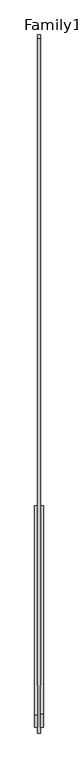
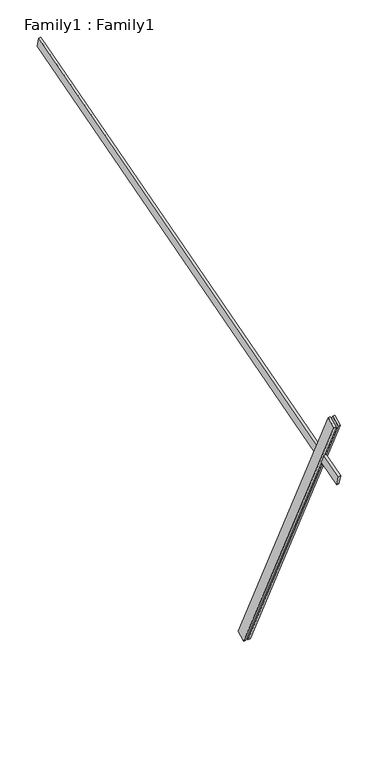
"""IFC4 building model written with IfcOpenShell, lengths in millimetres: proxy geometry, Family1 : Family1."""

from ifc_helpers import new_model, si_unit, frame, origin, place, context, project, spatial, polyline, outline, extrude, source, transform, mapped, element, save


def family1_family1_e7d14b16(model_context):
    return source(origin(), model_context, "Body", "SweptSolid", [
        extrude(outline(polyline([(0.0, 0.0), (-100.0000001, 0.0), (-100.0000001, 20.0), (0.0, 20.0), (0.0, 0.0)])), frame((-30.0, -46.3241747, -22.5938096), z_axis=(0.0, -0.4383711467890692, 0.8987940462991711), x_axis=(0.0, -0.8987940462991711, -0.4383711467890692)), (0.0, 0.0, 1.0), 3300.0),
        extrude(outline(polyline([(0.0, 0.0), (-99.9999999, 0.0), (-99.9999999, 20.0), (0.0, 20.0), (0.0, 0.0)])), frame((10.0, -45.270232, -22.0797674), z_axis=(0.0, -0.4383711467890692, 0.8987940462991711), x_axis=(0.0, -0.8987940462991711, -0.4383711467890692)), (0.0, 0.0, 1.0), 3300.0),
        extrude(outline(polyline([(0.0, 20.0), (5000.0, 20.0), (5000.0, 0.0), (0.0, 0.0), (0.0, 20.0)])), frame((-10.0, 3302.6023916, 3763.5768847), z_axis=(0.0, -0.27563735581700144, 0.9612616959383183), x_axis=(0.0, -0.9612616959383183, -0.27563735581700144)), (0.0, 0.0, 1.0), 100.0),
    ])


if __name__ == "__main__":
    model = new_model("IFC4")
    model_context = context("Model", 3, world=origin())
    ifc_project = project(units=[si_unit("LENGTHUNIT", "METRE", prefix="MILLI")], contexts=[model_context])
    site = spatial("IfcSite", under=ifc_project)
    building = spatial("IfcBuilding", under=site)
    placement = place(None, origin())
    family1_family1_shape = family1_family1_e7d14b16(model_context)
    element("IfcBuildingElementProxy", 1, Name="Family1 : Family1", ObjectType="Family1 : Family1", at=placement, inside=building, context=model_context, shape_type="MappedRepresentation", body=[
        mapped(family1_family1_shape, transform((0.0, 0.0, 0.0), x_axis=(1.0, 0.0, 0.0), y_axis=(0.0, 1.0, 0.0), z_axis=(0.0, 0.0, 1.0))),
    ])
    save(model, "model.ifc")
